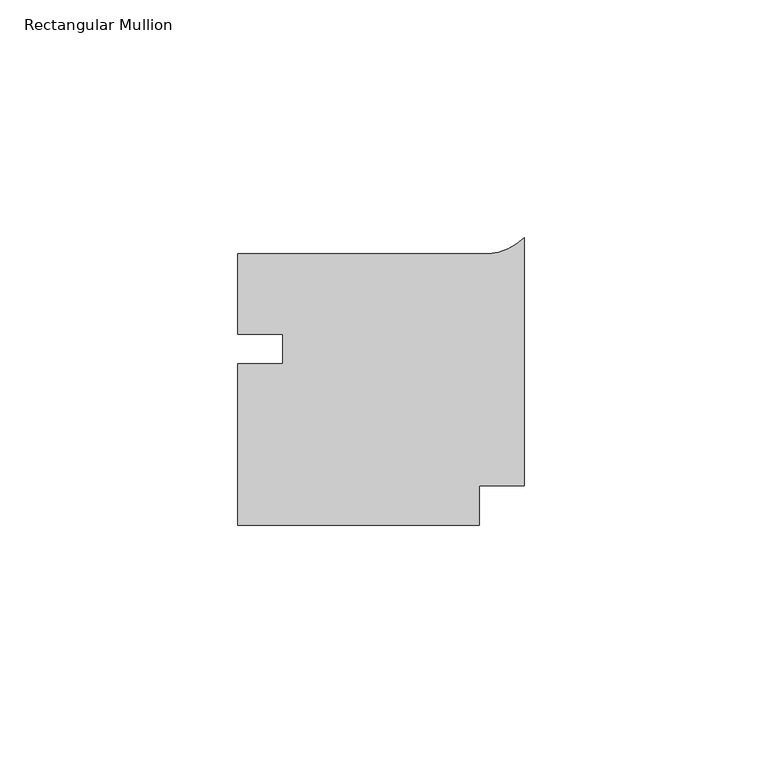
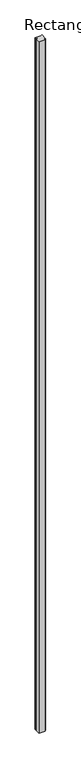
"""IFC4 building model written with IfcOpenShell, lengths in millimetres: member geometry, Rectangular Mullion."""

from ifc_helpers import new_model, si_unit, point, frame, frame_2d, origin, place, context, project, spatial, polyline, circle_curve, trimmed, segment, composite_curve, outline, extrude, source, transform, mapped, element, save


def rectangular_mullion_895fc8c5(model_context):
    return source(origin(), model_context, "Body", "SweptSolid", [
        extrude(outline(composite_curve([segment(polyline([(-9.525, -29.373639), (-9.525, -37.747263), (-60.2996, -37.747263), (-60.2996, -3.7751866), (-50.7746, -3.7751866), (-50.7746, 2.5052004), (-60.2996, 2.5052004), (-60.2996, 19.402737), (-9.525, 19.402737)]), True, "CONTINUOUS"), segment(trimmed(circle_curve(frame_2d((-8.4008069, 31.3723169)), 12.0222566), [point((-9.525, 19.402737))], [point((0.0, 22.7722531))], True, "CARTESIAN"), True, "CONTINUOUS"), segment(polyline([(0.0, 22.7722531), (0.0, -29.373639), (-9.525, -29.373639)]), True, "CONTINUOUS")], self_intersect=False)), frame((0.0, 0.0, -6000.75), z_axis=(0.0, 0.0, 1.0), x_axis=(1.0, 0.0, 0.0)), (0.0, 0.0, 1.0), 6000.75),
    ])


if __name__ == "__main__":
    model = new_model("IFC4")
    model_context = context("Model", 3, world=origin())
    ifc_project = project(units=[si_unit("LENGTHUNIT", "METRE", prefix="MILLI")], contexts=[model_context])
    site = spatial("IfcSite", under=ifc_project)
    building = spatial("IfcBuilding", under=site)
    placement = place(None, origin())
    rectangular_mullion_shape = rectangular_mullion_895fc8c5(model_context)
    element("IfcMember", 1, ObjectType="Rectangular Mullion", at=placement, inside=building, context=model_context, shape_type="MappedRepresentation", body=[
        mapped(rectangular_mullion_shape, transform((0.0, 0.0, 0.0), x_axis=(1.0, 0.0, 0.0), y_axis=(0.0, 1.0, 0.0), z_axis=(0.0, 0.0, 1.0))),
    ])
    save(model, "model.ifc")
